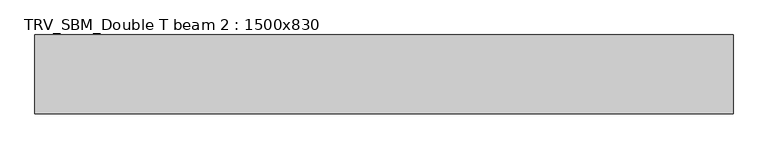
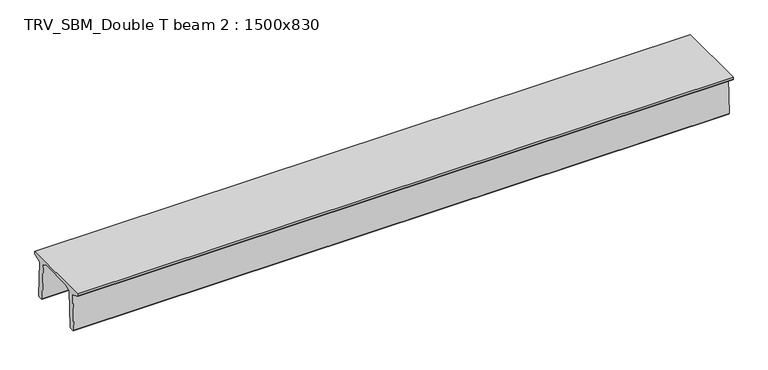
"""IFC4 building model written with IfcOpenShell, lengths in millimetres: beam geometry, TRV_SBM_Double T beam 2 : 1500x830."""

from ifc_helpers import new_model, si_unit, frame, origin, place, context, project, spatial, polyline, outline, extrude, source, transform, mapped, element, save


def trv_sbm_double_t_beam_2_1500x830_2abcd353(model_context):
    return source(origin(), model_context, "Body", "SweptSolid", [
        extrude(outline(polyline([(337.4555014, 470.0), (-343.4555014, 470.0), (-456.5828437, 409.8491251), (-494.786332, -340.5206011), (-514.2657308, -360.0), (-604.2657308, -360.0), (-624.8277662, -339.4379646), (-586.9373878, 401.9654693), (-752.8511046, 468.9989621), (-753.0, 475.0), (-753.0, 520.0), (747.0, 520.0), (747.0, 475.0), (746.8511046, 468.9989621), (580.9373878, 401.9654693), (618.8277662, -339.4379646), (598.2657308, -360.0), (508.2657308, -360.0), (488.786332, -340.5206011), (450.5828437, 409.8491251), (337.4555014, 470.0)])), frame((-6653.0, 0.0, 0.0), z_axis=(1.0, 0.0, 0.0), x_axis=(0.0, 1.0, 0.0)), (0.0, 0.0, 1.0), 13306.0),
    ])


if __name__ == "__main__":
    model = new_model("IFC4")
    model_context = context("Model", 3, world=origin())
    ifc_project = project(units=[si_unit("LENGTHUNIT", "METRE", prefix="MILLI")], contexts=[model_context])
    site = spatial("IfcSite", under=ifc_project)
    building = spatial("IfcBuilding", under=site)
    placement = place(None, origin())
    trv_sbm_double_t_beam_2_1500x830_shape = trv_sbm_double_t_beam_2_1500x830_2abcd353(model_context)
    element("IfcBeam", 1, ObjectType="TRV_SBM_Double T beam 2 : 1500x830", at=placement, inside=building, context=model_context, shape_type="MappedRepresentation", body=[
        mapped(trv_sbm_double_t_beam_2_1500x830_shape, transform((0.0, 0.0, 0.0), x_axis=(1.0, 0.0, 0.0), y_axis=(0.0, 1.0, 0.0), z_axis=(0.0, 0.0, 1.0))),
    ])
    save(model, "model.ifc")
